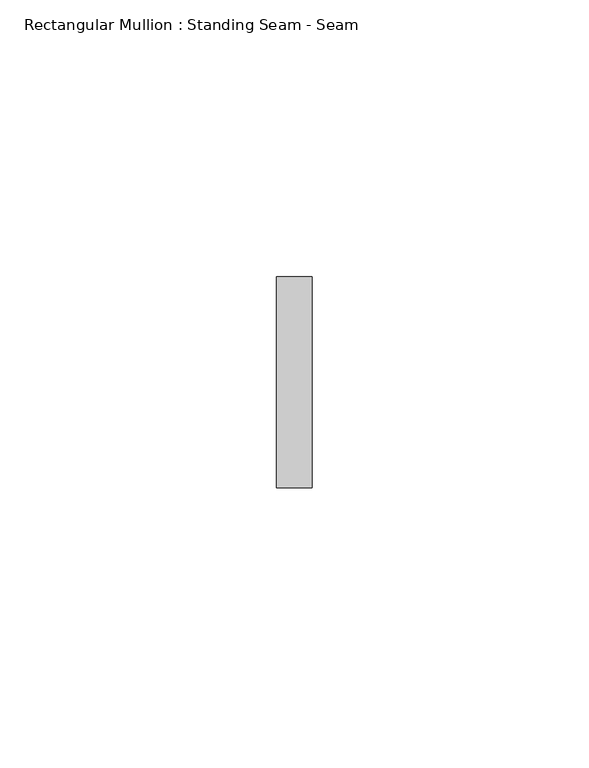
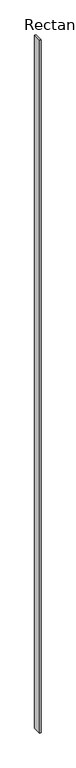
"""IFC4 building model written with IfcOpenShell, lengths in millimetres: member geometry, Rectangular Mullion : Standing Seam - Seam."""

from ifc_helpers import new_model, si_unit, frame, origin, place, context, project, spatial, polyline, outline, extrude, source, transform, mapped, element, save


def rectangular_mullion_standing_seam_seam_63432eab(model_context):
    return source(origin(), model_context, "Body", "SweptSolid", [
        extrude(outline(polyline([(3.175, 41.275), (3.175, 3.175), (-3.175, 3.175), (-3.175, 41.275), (3.175, 41.275)])), frame((0.0, 0.0, -3218.3717712), z_axis=(0.0, 0.0, 1.0), x_axis=(1.0, 0.0, 0.0)), (0.0, 0.0, 1.0), 3218.3717712),
    ])


if __name__ == "__main__":
    model = new_model("IFC4")
    model_context = context("Model", 3, world=origin())
    ifc_project = project(units=[si_unit("LENGTHUNIT", "METRE", prefix="MILLI")], contexts=[model_context])
    site = spatial("IfcSite", under=ifc_project)
    building = spatial("IfcBuilding", under=site)
    placement = place(None, origin())
    rectangular_mullion_standing_seam_seam_shape = rectangular_mullion_standing_seam_seam_63432eab(model_context)
    element("IfcMember", 1, ObjectType="Rectangular Mullion : Standing Seam - Seam", at=placement, inside=building, context=model_context, shape_type="MappedRepresentation", body=[
        mapped(rectangular_mullion_standing_seam_seam_shape, transform((0.0, 0.0, 0.0), x_axis=(1.0, 0.0, 0.0), y_axis=(0.0, 1.0, 0.0), z_axis=(0.0, 0.0, 1.0))),
    ])
    save(model, "model.ifc")
